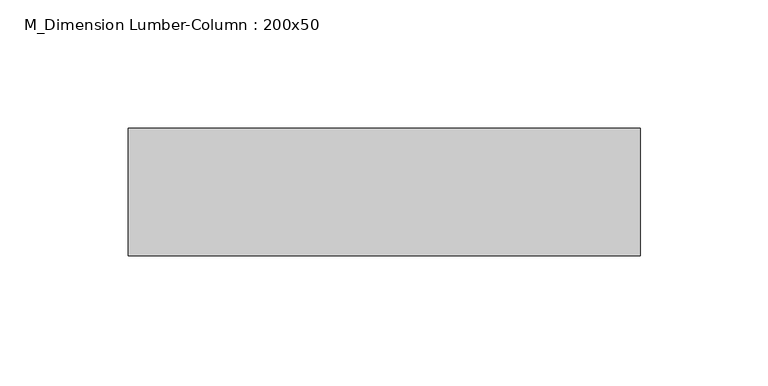
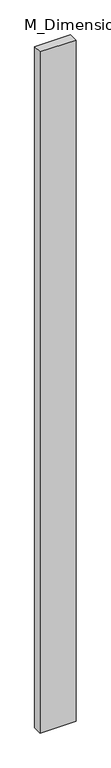
"""IFC4 building model written with IfcOpenShell, lengths in millimetres: column geometry, M_Dimension Lumber-Column : 200x50."""

from ifc_helpers import new_model, si_unit, origin, origin_with_axes, place, context, project, spatial, polyline, outline, extrude, source, transform, mapped, element, save


def m_dimension_lumber_column_200x50_4716c044(model_context):
    return source(origin(), model_context, "Body", "SweptSolid", [
        extrude(outline(polyline([(100.0, 25.0), (100.0, -25.0), (-100.0, -25.0), (-100.0, 25.0), (100.0, 25.0)])), origin_with_axes(), (0.0, 0.0, 1.0), 4000.0),
    ])


if __name__ == "__main__":
    model = new_model("IFC4")
    model_context = context("Model", 3, world=origin())
    ifc_project = project(units=[si_unit("LENGTHUNIT", "METRE", prefix="MILLI")], contexts=[model_context])
    site = spatial("IfcSite", under=ifc_project)
    building = spatial("IfcBuilding", under=site)
    placement = place(None, origin())
    m_dimension_lumber_column_200x50_shape = m_dimension_lumber_column_200x50_4716c044(model_context)
    element("IfcColumn", 1, ObjectType="M_Dimension Lumber-Column : 200x50", at=placement, inside=building, context=model_context, shape_type="MappedRepresentation", body=[
        mapped(m_dimension_lumber_column_200x50_shape, transform((0.0, 0.0, 0.0), x_axis=(1.0, 0.0, 0.0), y_axis=(0.0, 1.0, 0.0), z_axis=(0.0, 0.0, 1.0))),
    ])
    save(model, "model.ifc")
